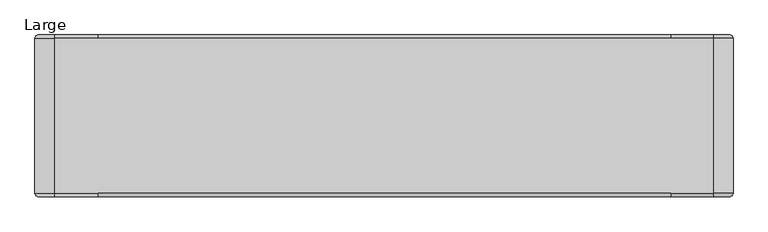
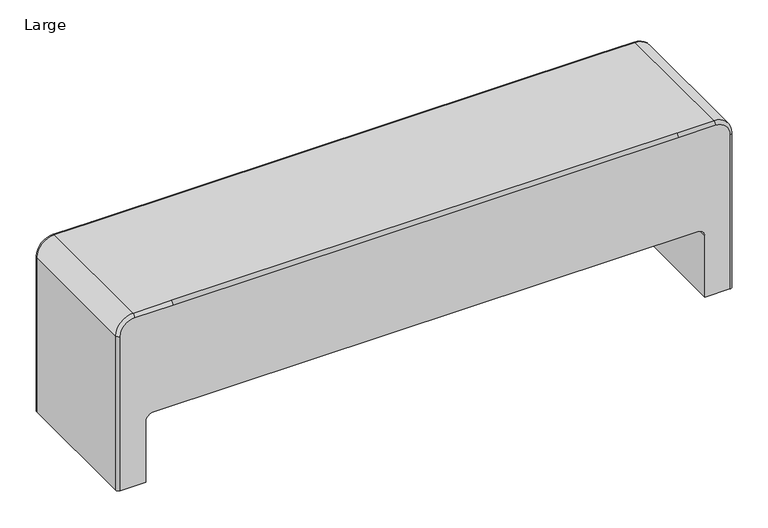
"""IFC4 building model written with IfcOpenShell, lengths in millimetres: furniture geometry, Large."""

from ifc_helpers import new_model, si_unit, point, frame, frame_2d, origin, origin_with_axes, place, context, project, spatial, polyline, circle_curve, ellipse_curve, trimmed, segment, composite_curve, outline, extrude, source, transform, mapped, element, save
from ifc_brep_helpers import plane_surface, cylinder_surface, revolved_surface, advanced_brep


def large_22a922e8(model_context):
    return source(origin(), model_context, "Body", "SolidModel", [
        extrude(outline(composite_curve([segment(trimmed(circle_curve(frame_2d((-619.0274767, 196.051701)), 5.08), [point((-619.0274767, 201.131701))], [point((-613.9474767, 196.051701))], False, "CARTESIAN"), True, "CONTINUOUS"), segment(polyline([(-613.9474767, 196.051701), (-613.9474767, 155.411701)]), True, "CONTINUOUS"), segment(trimmed(circle_curve(frame_2d((-619.0274767, 155.411701)), 5.08), [point((-613.9474767, 155.411701))], [point((-619.0274767, 150.331701))], False, "CARTESIAN"), True, "CONTINUOUS"), segment(polyline([(-619.0274767, 150.331701), (-634.2621476, 150.331701)]), True, "CONTINUOUS"), segment(trimmed(circle_curve(frame_2d((-634.2621476, 155.411701)), 5.08), [point((-634.2621476, 150.331701))], [point((-639.3421476, 155.411701))], False, "CARTESIAN"), True, "CONTINUOUS"), segment(polyline([(-639.3421476, 155.411701), (-639.3421476, 196.051701)]), True, "CONTINUOUS"), segment(trimmed(circle_curve(frame_2d((-634.2621476, 196.051701)), 5.08), [point((-639.3421476, 196.051701))], [point((-634.2621476, 201.131701))], False, "CARTESIAN"), True, "CONTINUOUS"), segment(polyline([(-634.2621476, 201.131701), (-619.0274767, 201.131701)]), True, "CONTINUOUS")], self_intersect=False)), origin_with_axes(), (0.0, 0.0, 1.0), 3.4040124),
        extrude(outline(composite_curve([segment(trimmed(circle_curve(frame_2d((-619.0274767, -81.4021908)), 5.08), [point((-619.0274767, -76.3221908))], [point((-613.9474767, -81.4021908))], False, "CARTESIAN"), True, "CONTINUOUS"), segment(polyline([(-613.9474767, -81.4021908), (-613.9474767, -122.0421908)]), True, "CONTINUOUS"), segment(trimmed(circle_curve(frame_2d((-619.0274767, -122.0421908)), 5.08), [point((-613.9474767, -122.0421908))], [point((-619.0274767, -127.1221908))], False, "CARTESIAN"), True, "CONTINUOUS"), segment(polyline([(-619.0274767, -127.1221908), (-634.2621476, -127.1221908)]), True, "CONTINUOUS"), segment(trimmed(circle_curve(frame_2d((-634.2621476, -122.0421908)), 5.08), [point((-634.2621476, -127.1221908))], [point((-639.3421476, -122.0421908))], False, "CARTESIAN"), True, "CONTINUOUS"), segment(polyline([(-639.3421476, -122.0421908), (-639.3421476, -81.4021908)]), True, "CONTINUOUS"), segment(trimmed(circle_curve(frame_2d((-634.2621476, -81.4021908)), 5.08), [point((-639.3421476, -81.4021908))], [point((-634.2621476, -76.3221908))], False, "CARTESIAN"), True, "CONTINUOUS"), segment(polyline([(-634.2621476, -76.3221908), (-619.0274767, -76.3221908)]), True, "CONTINUOUS")], self_intersect=False)), origin_with_axes(), (0.0, 0.0, 1.0), 3.4040124),
        extrude(outline(composite_curve([segment(trimmed(circle_curve(frame_2d((818.8236579, 196.051701)), 5.08), [point((818.8236579, 201.131701))], [point((823.9036579, 196.051701))], False, "CARTESIAN"), True, "CONTINUOUS"), segment(polyline([(823.9036579, 196.051701), (823.9036579, 155.411701)]), True, "CONTINUOUS"), segment(trimmed(circle_curve(frame_2d((818.8236579, 155.411701)), 5.08), [point((823.9036579, 155.411701))], [point((818.8236579, 150.331701))], False, "CARTESIAN"), True, "CONTINUOUS"), segment(polyline([(818.8236579, 150.331701), (803.5889871, 150.331701)]), True, "CONTINUOUS"), segment(trimmed(circle_curve(frame_2d((803.5889871, 155.411701)), 5.08), [point((803.5889871, 150.331701))], [point((798.5089871, 155.411701))], False, "CARTESIAN"), True, "CONTINUOUS"), segment(polyline([(798.5089871, 155.411701), (798.5089871, 196.051701)]), True, "CONTINUOUS"), segment(trimmed(circle_curve(frame_2d((803.5889871, 196.051701)), 5.08), [point((798.5089871, 196.051701))], [point((803.5889871, 201.131701))], False, "CARTESIAN"), True, "CONTINUOUS"), segment(polyline([(803.5889871, 201.131701), (818.8236579, 201.131701)]), True, "CONTINUOUS")], self_intersect=False)), origin_with_axes(), (0.0, 0.0, 1.0), 3.4040124),
        extrude(outline(composite_curve([segment(trimmed(circle_curve(frame_2d((818.8236579, -81.4021908)), 5.08), [point((818.8236579, -76.3221908))], [point((823.9036579, -81.4021908))], False, "CARTESIAN"), True, "CONTINUOUS"), segment(polyline([(823.9036579, -81.4021908), (823.9036579, -122.0421908)]), True, "CONTINUOUS"), segment(trimmed(circle_curve(frame_2d((818.8236579, -122.0421908)), 5.08), [point((823.9036579, -122.0421908))], [point((818.8236579, -127.1221908))], False, "CARTESIAN"), True, "CONTINUOUS"), segment(polyline([(818.8236579, -127.1221908), (803.5889871, -127.1221908)]), True, "CONTINUOUS"), segment(trimmed(circle_curve(frame_2d((803.5889871, -122.0421908)), 5.08), [point((803.5889871, -127.1221908))], [point((798.5089871, -122.0421908))], False, "CARTESIAN"), True, "CONTINUOUS"), segment(polyline([(798.5089871, -122.0421908), (798.5089871, -81.4021908)]), True, "CONTINUOUS"), segment(trimmed(circle_curve(frame_2d((803.5889871, -81.4021908)), 5.08), [point((798.5089871, -81.4021908))], [point((803.5889871, -76.3221908))], False, "CARTESIAN"), True, "CONTINUOUS"), segment(polyline([(803.5889871, -76.3221908), (818.8236579, -76.3221908)]), True, "CONTINUOUS")], self_intersect=False)), origin_with_axes(), (0.0, 0.0, 1.0), 3.4040124),
        advanced_brep(
        [(-574.5619104, 211.4525251, 180.1955599), (-593.6119104, 211.4525251, 161.1455599), (-593.6119104, 211.4525251, 3.4040124), (-655.9944896, 211.4525251, 3.4040124), (-655.9944896, 211.4525251, 404.0231514), (-620.4343177, 211.4525251, 439.5833234), (-526.2304682, 211.4525251, 439.5833234), (712.8696242, 211.4525251, 439.5833234), (804.202078, 211.4525251, 439.5833234), (839.76225, 211.4525251, 404.0231514), (839.76225, 211.4525251, 3.4040124), (778.1734208, 211.4525251, 3.4040124), (778.1734208, 211.4525251, 161.1455599), (759.1234208, 211.4525251, 180.1955599), (759.1234208, -138.4442299, 180.1955599), (778.1734208, -138.4442299, 161.1455599), (778.1734208, -138.4442299, 3.4040124), (839.76225, -138.4442299, 3.4040124), (839.76225, -138.4442299, 404.0231514), (804.202078, -138.4442299, 439.5833234), (712.8696242, -138.4442299, 439.5833234), (-526.2304682, -138.4442299, 439.5833234), (-620.4343177, -138.4442299, 439.5833234), (-655.9944896, -138.4442299, 404.0231514), (-655.9944896, -138.4442299, 3.4040124), (-593.6119104, -138.4442299, 3.4040124), (-593.6119104, -138.4442299, 161.1455599), (-574.5619104, -138.4442299, 180.1955599), (712.8696242, -130.8242299, 447.2033234), (-526.2304682, -130.8242299, 447.2033234), (804.202078, -130.8242299, 447.2033234), (804.202078, 203.8325251, 447.2033234), (712.8696242, 203.8325251, 447.2033234), (-526.2304682, 203.8325251, 447.2033234), (-620.4343177, 203.8325251, 447.2033234), (-620.4343177, -130.8242299, 447.2033234), (847.38225, -130.8242299, 404.0231514), (847.38225, 203.8325251, 404.0231514), (847.38225, 203.8325251, 3.4040124), (847.38225, -130.8242299, 3.4040124), (-663.6144896, 203.8325251, 404.0231514), (-663.6144896, -130.8242299, 404.0231514), (-663.6144896, -130.8242299, 3.4040124), (-663.6144896, 203.8325251, 3.4040124)],
        [
            (0, 1, circle_curve(frame((-574.5619104, 211.4525251, 161.1455599), z_axis=(0.0, -1.0, 0.0), x_axis=(1.0, 0.0, 0.0)), 19.05)),
            (1, 2),
            (2, 3),
            (3, 4),
            (4, 5, circle_curve(frame((-620.4343177, 211.4525251, 404.0231514), z_axis=(0.0, 1.0, 0.0), x_axis=(0.0, 0.0, 1.0)), 35.560172)),
            (5, 6),
            (6, 7),
            (7, 8),
            (8, 9, circle_curve(frame((804.202078, 211.4525251, 404.0231514), z_axis=(0.0, 1.0, 0.0), x_axis=(0.0, 0.0, 1.0)), 35.560172)),
            (9, 10),
            (10, 11),
            (11, 12),
            (12, 13, circle_curve(frame((759.1234208, 211.4525251, 161.1455599), z_axis=(0.0, -1.0, 0.0), x_axis=(1.0, 0.0, 0.0)), 19.05)),
            (13, 0),
            (14, 15, circle_curve(frame((759.1234208, -138.4442299, 161.1455599), z_axis=(0.0, 1.0, 0.0), x_axis=(1.0, 0.0, 0.0)), 19.05)),
            (15, 16),
            (16, 17),
            (17, 18),
            (18, 19, circle_curve(frame((804.202078, -138.4442299, 404.0231514), z_axis=(0.0, -1.0, 0.0), x_axis=(0.0, 0.0, 1.0)), 35.560172)),
            (19, 20),
            (20, 21),
            (21, 22),
            (22, 23, circle_curve(frame((-620.4343177, -138.4442299, 404.0231514), z_axis=(0.0, -1.0, 0.0), x_axis=(0.0, 0.0, 1.0)), 35.560172)),
            (23, 24),
            (24, 25),
            (25, 26),
            (26, 27, circle_curve(frame((-574.5619104, -138.4442299, 161.1455599), z_axis=(0.0, 1.0, 0.0), x_axis=(1.0, 0.0, 0.0)), 19.05)),
            (27, 14),
            (13, 14),
            (27, 0),
            (20, 28, circle_curve(frame((712.8696242, -130.8242299, 439.5833234), z_axis=(-1.0, 0.0, 0.0), x_axis=(0.0, 0.0, 1.0)), 7.62)),
            (28, 29),
            (29, 21, circle_curve(frame((-526.2304682, -130.8242299, 439.5833234), z_axis=(1.0, 0.0, 0.0), x_axis=(0.0, 0.0, 1.0)), 7.62)),
            (28, 30),
            (30, 31),
            (31, 32),
            (32, 33),
            (33, 34),
            (34, 35),
            (35, 29),
            (32, 7, circle_curve(frame((712.8696242, 203.8325251, 439.5833234), z_axis=(-1.0, 0.0, 0.0), x_axis=(0.0, 0.0, 1.0)), 7.62)),
            (6, 33, circle_curve(frame((-526.2304682, 203.8325251, 439.5833234), z_axis=(1.0, 0.0, 0.0), x_axis=(0.0, 0.0, 1.0)), 7.62)),
            (19, 30, circle_curve(frame((804.202078, -130.8242299, 439.5833234), z_axis=(-1.0, 0.0, 0.0), x_axis=(0.0, 0.0, -1.0)), 7.62)),
            (31, 8, circle_curve(frame((804.202078, 203.8325251, 439.5833234), z_axis=(-1.0, 0.0, 0.0), x_axis=(0.0, 0.0, -1.0)), 7.62)),
            (18, 36, circle_curve(frame((839.76225, -130.8242299, 404.0231514), z_axis=(0.0, 0.0, 1.0), x_axis=(-1.0, 0.0, 0.0)), 7.62)),
            (36, 30, circle_curve(frame((804.202078, -130.8242299, 404.0231514), z_axis=(0.0, -1.0, 0.0), x_axis=(0.0, 0.0, 1.0)), 43.180172)),
            (36, 37),
            (37, 31, circle_curve(frame((804.202078, 203.8325251, 404.0231514), z_axis=(0.0, -1.0, 0.0), x_axis=(0.0, 0.0, 1.0)), 43.180172)),
            (37, 9, circle_curve(frame((839.76225, 203.8325251, 404.0231514), z_axis=(0.0, 0.0, 1.0), x_axis=(-1.0, 0.0, 0.0)), 7.62)),
            (16, 11),
            (10, 38, circle_curve(frame((839.76225, 203.8325251, 3.4040124), z_axis=(0.0, 0.0, -1.0), x_axis=(-1.0, 0.0, 0.0)), 7.62)),
            (38, 39),
            (39, 17, circle_curve(frame((839.76225, -130.8242299, 3.4040124), z_axis=(0.0, 0.0, -1.0), x_axis=(-1.0, 0.0, 0.0)), 7.62)),
            (39, 36),
            (38, 37),
            (5, 34, circle_curve(frame((-620.4343177, 203.8325251, 439.5833234), z_axis=(1.0, 0.0, 0.0), x_axis=(0.0, 0.0, 1.0)), 7.62)),
            (35, 22, circle_curve(frame((-620.4343177, -130.8242299, 439.5833234), z_axis=(1.0, 0.0, 0.0), x_axis=(0.0, 0.0, 1.0)), 7.62)),
            (4, 40, circle_curve(frame((-655.9944896, 203.8325251, 404.0231514), z_axis=(0.0, 0.0, 1.0), x_axis=(-1.0, 0.0, 0.0)), 7.62)),
            (40, 34, circle_curve(frame((-620.4343177, 203.8325251, 404.0231514), z_axis=(0.0, 1.0, 0.0), x_axis=(0.0, 0.0, 1.0)), 43.180172)),
            (40, 41),
            (41, 35, circle_curve(frame((-620.4343177, -130.8242299, 404.0231514), z_axis=(0.0, 1.0, 0.0), x_axis=(0.0, 0.0, 1.0)), 43.180172)),
            (41, 23, circle_curve(frame((-655.9944896, -130.8242299, 404.0231514), z_axis=(0.0, 0.0, 1.0), x_axis=(-1.0, 0.0, 0.0)), 7.62)),
            (2, 25),
            (24, 42, circle_curve(frame((-655.9944896, -130.8242299, 3.4040124), z_axis=(0.0, 0.0, -1.0), x_axis=(-1.0, 0.0, 0.0)), 7.62)),
            (42, 43),
            (43, 3, circle_curve(frame((-655.9944896, 203.8325251, 3.4040124), z_axis=(0.0, 0.0, -1.0), x_axis=(-1.0, 0.0, 0.0)), 7.62)),
            (43, 40),
            (42, 41),
            (26, 1),
            (15, 12),
        ],
        [
            plane_surface(frame((712.8696242, 211.4525251, 437.6781514), z_axis=(0.0, 1.0, 0.0), x_axis=(0.0, 0.0, -1.0))),
            plane_surface(frame((712.8696242, -138.4442299, 437.6781514), z_axis=(0.0, -1.0, 0.0), x_axis=(0.0, 0.0, 1.0))),
            plane_surface(frame((712.8696242, 211.4525251, 180.1955599), z_axis=(0.0, 0.0, -1.0), x_axis=(0.0, -1.0, 0.0))),
            cylinder_surface(frame((712.8696242, -130.8242299, 439.5833234), z_axis=(-1.0, 0.0, 0.0), x_axis=(0.0, 0.0, 1.0)), 7.62),
            plane_surface(frame((-526.2304682, -130.8242299, 447.2033234), z_axis=(0.0, 0.0, 1.0), x_axis=(1.0, 0.0, 0.0))),
            cylinder_surface(frame((712.8696242, 203.8325251, 439.5833234), z_axis=(-1.0, 0.0, 0.0), x_axis=(0.0, 0.0, 1.0)), 7.62),
            cylinder_surface(frame((712.8696242, -130.8242299, 439.5833234), z_axis=(-1.0, 0.0, 0.0), x_axis=(0.0, 0.0, -1.0)), 7.62),
            cylinder_surface(frame((712.8696242, 203.8325251, 439.5833234), z_axis=(-1.0, 0.0, 0.0), x_axis=(0.0, 0.0, -1.0)), 7.62),
            revolved_surface(trimmed(ellipse_curve(frame((804.202078, -130.8242299, 439.5833234), z_axis=(-1.0, 0.0, 0.0), x_axis=(0.0, 0.0, -1.0)), 7.62, 7.62), [point((804.202078, -138.4442299, 439.5833234))], [point((804.202078, -130.8242299, 447.2033234))], True, "CARTESIAN"), (804.202078, 228.8781826, 404.0231514), (0.0, 1.0, 0.0)),
            cylinder_surface(frame((804.202078, 228.8781826, 404.0231514), z_axis=(0.0, 1.0, 0.0), x_axis=(0.0, 0.0, 1.0)), 43.180172),
            revolved_surface(trimmed(ellipse_curve(frame((804.202078, 203.8325251, 439.5833234), z_axis=(-1.0, 0.0, 0.0), x_axis=(0.0, 0.0, -1.0)), 7.62, 7.62), [point((804.202078, 203.8325251, 447.2033234))], [point((804.202078, 211.4525251, 439.5833234))], True, "CARTESIAN"), (804.202078, 228.8781826, 404.0231514), (0.0, 1.0, 0.0)),
            plane_surface(frame((834.682078, 228.8781826, 3.4040124), z_axis=(0.0, 0.0, -1.0), x_axis=(0.0, 1.0, 0.0))),
            cylinder_surface(frame((839.76225, -130.8242299, 404.0231514), z_axis=(0.0, 0.0, 1.0), x_axis=(-1.0, 0.0, 0.0)), 7.62),
            plane_surface(frame((847.38225, -130.8242299, 404.0231514), z_axis=(1.0, 0.0, 0.0), x_axis=(0.0, 0.0, -1.0))),
            cylinder_surface(frame((839.76225, 203.8325251, 404.0231514), z_axis=(0.0, 0.0, 1.0), x_axis=(-1.0, 0.0, 0.0)), 7.62),
            cylinder_surface(frame((-526.2304682, 203.8325251, 439.5833234), z_axis=(1.0, 0.0, 0.0), x_axis=(0.0, 0.0, 1.0)), 7.62),
            cylinder_surface(frame((-526.2304682, -130.8242299, 439.5833234), z_axis=(1.0, 0.0, 0.0), x_axis=(0.0, 0.0, 1.0)), 7.62),
            revolved_surface(trimmed(ellipse_curve(frame((-620.4343177, 203.8325251, 439.5833234), z_axis=(1.0, 0.0, 0.0), x_axis=(0.0, 0.0, 1.0)), 7.62, 7.62), [point((-620.4343177, 211.4525251, 439.5833234))], [point((-620.4343177, 203.8325251, 447.2033234))], True, "CARTESIAN"), (-620.4343177, 228.8781826, 404.0231514), (0.0, -1.0, 0.0)),
            cylinder_surface(frame((-620.4343177, 228.8781826, 404.0231514), z_axis=(0.0, -1.0, 0.0), x_axis=(0.0, 0.0, 1.0)), 43.180172),
            revolved_surface(trimmed(ellipse_curve(frame((-620.4343177, -130.8242299, 439.5833234), z_axis=(1.0, 0.0, 0.0), x_axis=(0.0, 0.0, 1.0)), 7.62, 7.62), [point((-620.4343177, -130.8242299, 447.2033234))], [point((-620.4343177, -138.4442299, 439.5833234))], True, "CARTESIAN"), (-620.4343177, 228.8781826, 404.0231514), (0.0, -1.0, 0.0)),
            plane_surface(frame((-650.9143177, 228.8781826, 3.4040124), z_axis=(0.0, 0.0, -1.0), x_axis=(0.0, 1.0, 0.0))),
            cylinder_surface(frame((-655.9944896, 203.8325251, 404.0231514), z_axis=(0.0, 0.0, 1.0), x_axis=(-1.0, 0.0, 0.0)), 7.62),
            plane_surface(frame((-663.6144896, 203.8325251, 404.0231514), z_axis=(-1.0, 0.0, 0.0), x_axis=(0.0, 0.0, -1.0))),
            cylinder_surface(frame((-655.9944896, -130.8242299, 404.0231514), z_axis=(0.0, 0.0, 1.0), x_axis=(-1.0, 0.0, 0.0)), 7.62),
            revolved_surface(polyline([(-555.5119104, -138.4442299, 161.1455599), (-555.5119104, 211.45252509999997, 161.1455599)]), (-574.5619104, -138.4442299, 161.1455599), (0.0, -1.0, 0.0)),
            plane_surface(frame((-593.6119104, 211.4525251, 161.1455599), z_axis=(1.0, 0.0, 0.0), x_axis=(0.0, -1.0, 0.0))),
            plane_surface(frame((778.1734208, 211.4525251, 3.4040124), z_axis=(-1.0, 0.0, 0.0), x_axis=(0.0, -1.0, 0.0))),
            revolved_surface(polyline([(778.1734207999999, -138.44422989999998, 161.1455599), (778.1734207999999, 211.4525251, 161.1455599)]), (759.1234208, 216.2403236, 161.1455599), (0.0, -1.0, 0.0)),
        ],
        [
            (0, [[1, 2, 3, 4, 5, 6, 7, 8, 9, 10, 11, 12, 13, 14]]),
            (1, [[15, 16, 17, 18, 19, 20, 21, 22, 23, 24, 25, 26, 27, 28]]),
            (2, [[-14, 29, -28, 30]]),
            (3, [[-21, 31, 32, 33]]),
            (4, [[-32, 34, 35, 36, 37, 38, 39, 40]]),
            (5, [[-37, 41, -7, 42]]),
            (6, [[-20, 43, -34, -31]]),
            (7, [[-36, 44, -8, -41]]),
            (8, [[-19, 45, 46, -43]]),
            (9, [[-35, -46, 47, 48]]),
            (10, [[-44, -48, 49, -9]]),
            (11, [[-17, 50, -11, 51, 52, 53]]),
            (12, [[-18, -53, 54, -45]]),
            (13, [[-47, -54, -52, 55]]),
            (14, [[-10, -49, -55, -51]]),
            (15, [[-6, 56, -38, -42]]),
            (16, [[-40, 57, -22, -33]]),
            (17, [[-5, 58, 59, -56]]),
            (18, [[-39, -59, 60, 61]]),
            (19, [[-57, -61, 62, -23]]),
            (20, [[-3, 63, -25, 64, 65, 66]]),
            (21, [[-4, -66, 67, -58]]),
            (22, [[-60, -67, -65, 68]]),
            (23, [[-24, -62, -68, -64]]),
            (24, [[-1, -30, -27, 69]]),
            (25, [[-2, -69, -26, -63]]),
            (26, [[-12, -50, -16, 70]]),
            (27, [[-13, -70, -15, -29]]),
        ],
    ),
    ])


if __name__ == "__main__":
    model = new_model("IFC4")
    model_context = context("Model", 3, world=origin())
    ifc_project = project(units=[si_unit("LENGTHUNIT", "METRE", prefix="MILLI")], contexts=[model_context])
    site = spatial("IfcSite", under=ifc_project)
    building = spatial("IfcBuilding", under=site)
    placement = place(None, origin())
    large_shape = large_22a922e8(model_context)
    element("IfcFurniture", 1, ObjectType="Large", at=placement, inside=building, context=model_context, shape_type="MappedRepresentation", body=[
        mapped(large_shape, transform((0.0, 0.0, 0.0), x_axis=(1.0, 0.0, 0.0), y_axis=(0.0, 1.0, 0.0), z_axis=(0.0, 0.0, 1.0))),
    ])
    save(model, "model.ifc")
